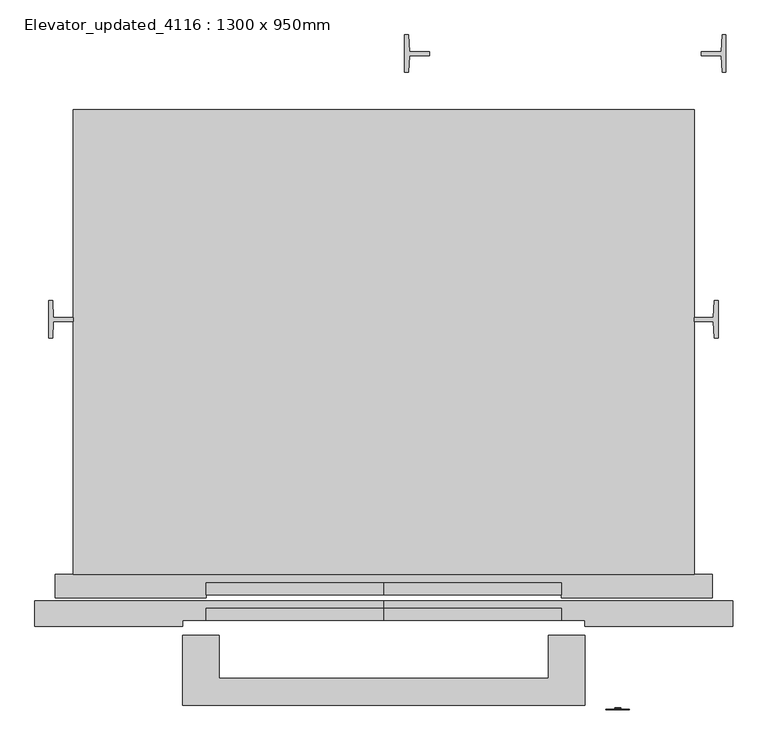
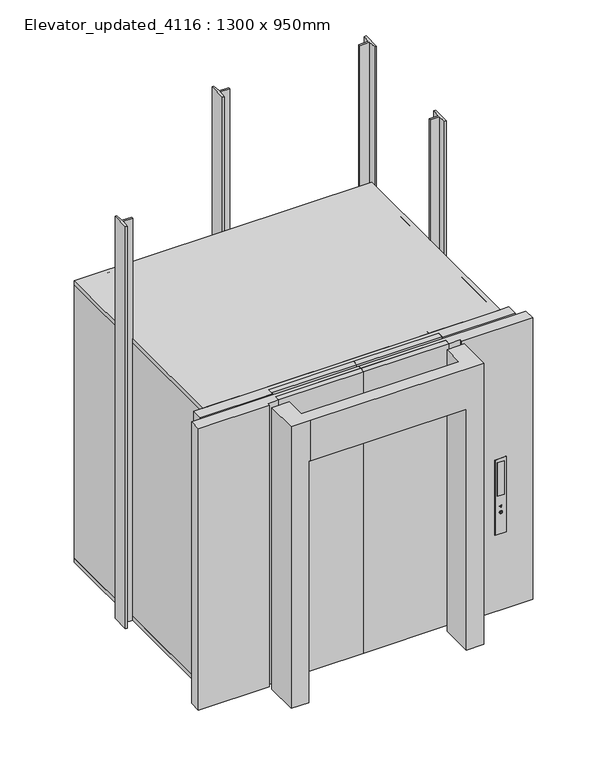
"""IFC4 building model written with IfcOpenShell, lengths in millimetres: proxy geometry, Elevator_updated_4116 : 1300 x 950mm."""

from ifc_helpers import new_model, si_unit, point, frame, frame_2d, origin, origin_with_axes, place, context, project, spatial, polyline, circle_curve, trimmed, segment, composite_curve, outline, extrude, faceted_brep, source, transform, mapped, element, save


def elevator_updated_4116_1300_x_950mm_5e54b2e0(model_context):
    return source(origin(), model_context, "Body", "SolidModel", [
        extrude(outline(polyline([(1387.8068056, 1596.1967426), (1374.8068533, 1596.1967426), (1371.8068533, 1653.3967425), (1304.3067824, 1653.3967425), (1304.3067824, 1665.8923587), (1371.893071, 1665.8923587), (1374.8068532, 1723.1967426), (1387.8068056, 1723.1967426), (1387.8068056, 1596.1967426)])), origin_with_axes(), (0.0, 0.0, 1.0), 3000.0),
        extrude(outline(polyline([(300.8067593, 1596.1967426), (300.8067593, 1723.1967426), (313.8067116, 1723.1967426), (316.7204939, 1665.8923587), (384.3067824, 1665.8923587), (384.3067824, 1653.3967425), (316.8067116, 1653.3967425), (313.8067116, 1596.1967426), (300.8067593, 1596.1967426)])), origin_with_axes(), (0.0, 0.0, 1.0), 3000.0),
        extrude(outline(polyline([(1361.2100334, 697.0635645), (1348.2100334, 697.0635645), (1345.2100334, 754.2632247), (1280.2100339, 754.2632247), (1280.2100339, 766.7588408), (1345.2962512, 766.7588408), (1348.2100334, 824.0635645), (1361.2100334, 824.0635645), (1361.2100334, 697.0635645)])), origin_with_axes(), (0.0, 0.0, 1.0), 3000.0),
        extrude(outline(polyline([(-903.2899892, 697.0632248), (-903.2899892, 824.0632248), (-890.2900369, 824.0632248), (-887.3762547, 766.7588408), (-819.7899661, 766.7588408), (-819.7899661, 754.2632247), (-887.2900369, 754.2632247), (-890.2900369, 697.0632248), (-903.2899892, 697.0632248)])), origin_with_axes(), (0.0, 0.0, 1.0), 3000.0),
        faceted_brep([(-310.0035134, -543.6764029, 2100.0), (910.4235812, -543.6764029, 2100.0), (910.4235812, -306.9550169, 2100.0), (787.4235812, -306.9550169, 2100.0), (787.4235812, -453.0264029, 2100.0), (-327.0035134, -453.0264029, 2100.0), (-327.0035134, -306.9550169, 2100.0), (-450.0035134, -306.9550169, 2100.0), (-450.0035134, -543.6764029, 2100.0), (-450.0035134, -543.6764029, 0.0), (-450.0035134, -306.9550169, 0.0), (-327.0035134, -306.9550169, 0.0), (-327.0035134, -543.6764029, 0.0), (787.4235812, -543.6764029, 0.0), (787.4235812, -306.9550169, 0.0), (910.4235812, -306.9550169, 0.0), (910.4235812, -543.6764029, 0.0), (-310.0035134, -543.6764029, 1800.0), (787.4235812, -543.6764029, 1800.0), (787.4235812, -453.0264029, 1800.0), (-327.0035134, -453.0264029, 1800.0), (-327.0035134, -543.6764029, 1800.0)], [[[0, 1, 2, 3, 4, 5, 6, 7, 8]], [[9, 10, 11, 12]], [[13, 14, 15, 16]], [[1, 0, 17, 18, 13, 16]], [[2, 1, 16, 15]], [[3, 2, 15, 14]], [[4, 3, 14, 13, 18, 19]], [[5, 4, 19, 20]], [[6, 5, 20, 21, 12, 11]], [[7, 6, 11, 10]], [[8, 7, 10, 9]], [[0, 8, 9, 12, 21, 17]], [[19, 18, 17, 21, 20]]]),
        extrude(outline(polyline([(1008.9127767, 1021.7785059), (995.0524506, 1021.7785059), (995.0524506, 1022.5772134), (1008.9127767, 1022.5772134), (1004.977049, 1028.1980152), (1005.5866656, 1028.8076319), (1010.2288821, 1022.1778597), (1005.5866656, 1015.5480875), (1004.977049, 1016.1577041), (1008.9127767, 1021.7785059)])), frame((0.0, -560.0598941, 0.0), z_axis=(0.0, 1.0, 0.0), x_axis=(0.0, 0.0, 1.0)), (0.0, 0.0, 1.0), 1.8423941),
        extrude(outline(polyline([(951.1921246, 1021.7785059), (955.1278523, 1016.1577041), (954.5182357, 1015.5480875), (949.8760192, 1022.1778597), (954.5182357, 1028.8076319), (955.1278523, 1028.1980152), (951.1921246, 1022.5772134), (965.0524506, 1022.5772134), (965.0524506, 1021.7785059), (951.1921246, 1021.7785059)])), frame((0.0, -560.0598941, 0.0), z_axis=(0.0, 1.0, 0.0), x_axis=(0.0, 0.0, 1.0)), (0.0, 0.0, 1.0), 1.8423941),
        extrude(outline(composite_curve([segment(trimmed(circle_curve(frame_2d((958.0344126, 1022.0419434)), 10.0), [point((958.0344126, 1012.0419434))], [point((958.0344126, 1032.0419434))], False, "CARTESIAN"), True, "CONTINUOUS"), segment(trimmed(circle_curve(frame_2d((958.0344126, 1022.0419434)), 10.0), [point((958.0344126, 1032.0419434))], [point((958.0344126, 1012.0419434))], False, "CARTESIAN"), True, "CONTINUOUS")], self_intersect=False)), frame((0.0, -554.719947, 0.0), z_axis=(0.0, 1.0, 0.0), x_axis=(0.0, 0.0, 1.0)), (0.0, 0.0, 1.0), 2.1149301),
        extrude(outline(polyline([(1045.8573152, -559.069947), (995.8573152, -559.069947), (995.8573152, -556.9550169), (1045.8573152, -556.9550169), (1045.8573152, -559.069947)])), frame((0.0, 0.0, 1084.2103885), z_axis=(0.0, 0.0, 1.0), x_axis=(1.0, 0.0, 0.0)), (0.0, 0.0, 1.0), 250.0),
        extrude(outline(composite_curve([segment(trimmed(circle_curve(frame_2d((958.0344126, 1022.0419434)), 10.0), [point((958.0344126, 1012.0419434))], [point((958.0344126, 1032.0419434))], False, "CARTESIAN"), True, "CONTINUOUS"), segment(trimmed(circle_curve(frame_2d((958.0344126, 1022.0419434)), 10.0), [point((958.0344126, 1032.0419434))], [point((958.0344126, 1012.0419434))], False, "CARTESIAN"), True, "CONTINUOUS")], self_intersect=False)), frame((0.0, -554.719947, 0.0), z_axis=(0.0, 1.0, 0.0), x_axis=(0.0, 0.0, 1.0)), (0.0, 0.0, 1.0), 2.1149301),
        extrude(outline(composite_curve([segment(trimmed(circle_curve(frame_2d((1003.0344126, 1022.0419434)), 10.0), [point((1003.0344126, 1012.0419434))], [point((1003.0344126, 1032.0419434))], False, "CARTESIAN"), True, "CONTINUOUS"), segment(trimmed(circle_curve(frame_2d((1003.0344126, 1022.0419434)), 10.0), [point((1003.0344126, 1032.0419434))], [point((1003.0344126, 1012.0419434))], False, "CARTESIAN"), True, "CONTINUOUS")], self_intersect=False)), frame((0.0, -555.7098941, 0.0), z_axis=(0.0, 1.0, 0.0), x_axis=(0.0, 0.0, 1.0)), (0.0, 0.0, 1.0), 1.8423941),
        extrude(outline(polyline([(1360.0, 980.8185967), (800.0, 980.8185967), (800.0, 1060.8185967), (1360.0, 1060.8185967), (1360.0, 980.8185967)]), holes=[composite_curve([segment(trimmed(circle_curve(frame_2d((958.0344126, 1022.0419434)), 10.0), [point((958.0344126, 1032.0419434))], [point((958.0344126, 1012.0419434))], True, "CARTESIAN"), True, "CONTINUOUS"), segment(trimmed(circle_curve(frame_2d((958.0344126, 1022.0419434)), 10.0), [point((958.0344126, 1012.0419434))], [point((958.0344126, 1032.0419434))], True, "CARTESIAN"), True, "CONTINUOUS")], self_intersect=False)]), frame((0.0, -559.069947, 0.0), z_axis=(0.0, 1.0, 0.0), x_axis=(0.0, 0.0, 1.0)), (0.0, 0.0, 1.0), 2.1149301),
        extrude(outline(polyline([(1280.2100339, 1469.7281578), (1280.2100339, -101.6799298), (-819.7899661, -101.6799298), (-819.7899661, 1469.7281578), (1280.2100339, 1469.7281578)])), frame((0.0, 0.0, 2070.0), z_axis=(0.0, 0.0, 1.0), x_axis=(1.0, 0.0, 0.0)), (0.0, 0.0, 1.0), 30.0),
        extrude(outline(polyline([(1280.2100339, 1469.7281578), (1280.2100339, -101.6799298), (-819.7899661, -101.6799298), (-819.7899661, 1469.7281578), (1280.2100339, 1469.7281578)])), origin_with_axes(), (0.0, 0.0, 1.0), 30.0),
        extrude(outline(polyline([(230.2100339, -170.2718422), (230.2100339, -130.2718422), (830.2100339, -130.2718422), (830.2100339, -170.2718422), (230.2100339, -170.2718422)])), origin_with_axes(), (0.0, 0.0, 1.0), 2100.0),
        extrude(outline(polyline([(230.2100339, -170.2718422), (-369.7899661, -170.2718422), (-369.7899661, -130.2718422), (230.2100339, -130.2718422), (230.2100339, -170.2718422)])), origin_with_axes(), (0.0, 0.0, 1.0), 2100.0),
        extrude(outline(polyline([(230.2100339, -256.6799298), (230.2100339, -216.6799298), (830.2100339, -216.6799298), (830.2100339, -256.6799298), (230.2100339, -256.6799298)])), origin_with_axes(), (0.0, 0.0, 1.0), 2100.0),
        extrude(outline(polyline([(230.2100339, -256.6799298), (-369.7899661, -256.6799298), (-369.7899661, -216.6799298), (230.2100339, -216.6799298), (230.2100339, -256.6799298)])), origin_with_axes(), (0.0, 0.0, 1.0), 2100.0),
        extrude(outline(polyline([(230.2100339, -191.6799298), (1410.2100339, -191.6799298), (1410.2100339, -276.6799298), (910.2100339, -276.6799298), (910.2100339, -256.6799298), (830.2100339, -256.6799298), (830.2100339, -216.6799298), (230.2100339, -216.6799298), (230.2100339, -191.6799298)])), origin_with_axes(), (0.0, 0.0, 1.0), 2100.0),
        extrude(outline(polyline([(230.2100339, -191.6799298), (230.2100339, -216.6799298), (-369.7899661, -216.6799298), (-369.7899661, -256.6799298), (-449.7899661, -256.6799298), (-449.7899661, -276.6799298), (-949.7899661, -276.6799298), (-949.7899661, -191.6799298), (230.2100339, -191.6799298)])), origin_with_axes(), (0.0, 0.0, 1.0), 2100.0),
        extrude(outline(polyline([(-819.7899661, 1469.7281578), (1280.2100339, 1469.7281578), (1280.2100339, -101.6799298), (1341.4271595, -101.6799298), (1341.4271595, -181.6799298), (830.2100339, -181.6799298), (830.2100339, -130.2718422), (-369.7899661, -130.2718422), (-369.7899661, -181.6799298), (-881.0070918, -181.6799298), (-881.0070918, -101.6799298), (-819.7899661, -101.6799298), (-819.7899661, 1469.7281578)]), holes=[polyline([(-789.7899661, -100.2718422), (1250.2100339, -100.2718422), (1250.2100339, -99.9190804), (776.5730008, -99.9190804), (776.5730008, -49.5663186), (1241.5730008, -49.5663186), (1250.2100339, -49.5663186), (1250.2100339, 1439.7281578), (-789.7899661, 1439.7281578), (-789.7899661, -49.5663186), (-781.1529331, -49.5663186), (-316.1529331, -49.5663186), (-316.1529331, -99.9190804), (-789.7899661, -99.9190804), (-789.7899661, -100.2718422)])]), origin_with_axes(), (0.0, 0.0, 1.0), 2100.0),
    ])


if __name__ == "__main__":
    model = new_model("IFC4")
    model_context = context("Model", 3, world=origin())
    ifc_project = project(units=[si_unit("LENGTHUNIT", "METRE", prefix="MILLI")], contexts=[model_context])
    site = spatial("IfcSite", under=ifc_project)
    building = spatial("IfcBuilding", under=site)
    placement = place(None, origin())
    elevator_updated_4116_1300_x_950mm_shape = elevator_updated_4116_1300_x_950mm_5e54b2e0(model_context)
    element("IfcBuildingElementProxy", 1, Name="Elevator_updated_4116 : 1300 x 950mm", ObjectType="Elevator_updated_4116 : 1300 x 950mm", at=placement, inside=building, context=model_context, shape_type="MappedRepresentation", body=[
        mapped(elevator_updated_4116_1300_x_950mm_shape, transform((0.0, 0.0, 0.0), x_axis=(1.0, 0.0, 0.0), y_axis=(0.0, 1.0, 0.0), z_axis=(0.0, 0.0, 1.0))),
    ])
    save(model, "model.ifc")
